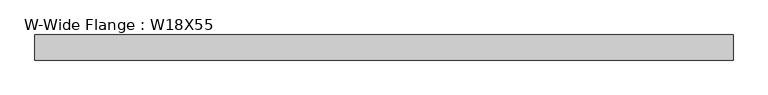
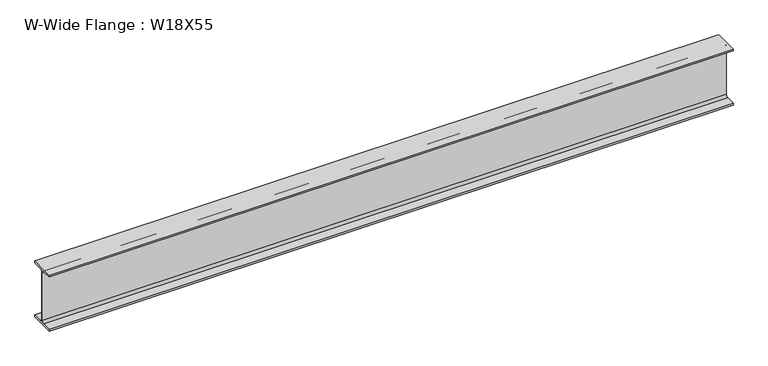
"""IFC4 building model written with IfcOpenShell, lengths in millimetres: beam geometry, W-Wide Flange : W18X55."""

from ifc_helpers import new_model, si_unit, point, frame, frame_2d, origin, place, context, project, spatial, polyline, circle_curve, trimmed, segment, composite_curve, outline, extrude, source, transform, mapped, element, save


def w_wide_flange_w18x55_e4465ad7(model_context):
    return source(origin(), model_context, "Body", "SweptSolid", [
        extrude(outline(composite_curve([segment(polyline([(95.631, -213.868), (95.631, -229.87), (-95.631, -229.87), (-95.631, -213.868), (-22.2885, -213.868)]), True, "CONTINUOUS"), segment(trimmed(circle_curve(frame_2d((-22.2885, -196.5325)), 17.3355), [point((-22.2885, -213.868))], [point((-4.953, -196.5325))], True, "CARTESIAN"), True, "CONTINUOUS"), segment(polyline([(-4.953, -196.5325), (-4.953, 196.5325)]), True, "CONTINUOUS"), segment(trimmed(circle_curve(frame_2d((-22.2885, 196.5325)), 17.3355), [point((-4.953, 196.5325))], [point((-22.2885, 213.868))], True, "CARTESIAN"), True, "CONTINUOUS"), segment(polyline([(-22.2885, 213.868), (-95.631, 213.868), (-95.631, 229.87), (95.631, 229.87), (95.631, 213.868), (22.2885, 213.868)]), True, "CONTINUOUS"), segment(trimmed(circle_curve(frame_2d((22.2885, 196.5325)), 17.3355), [point((22.2885, 213.868))], [point((4.953, 196.5325))], True, "CARTESIAN"), True, "CONTINUOUS"), segment(polyline([(4.953, 196.5325), (4.953, -196.5325)]), True, "CONTINUOUS"), segment(trimmed(circle_curve(frame_2d((22.2885, -196.5325)), 17.3355), [point((4.953, -196.5325))], [point((22.2885, -213.868))], True, "CARTESIAN"), True, "CONTINUOUS"), segment(polyline([(22.2885, -213.868), (95.631, -213.868)]), True, "CONTINUOUS")], self_intersect=False)), frame((-2616.2, 0.0, 0.0), z_axis=(1.0, 0.0, 0.0), x_axis=(0.0, 1.0, 0.0)), (0.0, 0.0, 1.0), 5310.1227359),
    ])


if __name__ == "__main__":
    model = new_model("IFC4")
    model_context = context("Model", 3, world=origin())
    ifc_project = project(units=[si_unit("LENGTHUNIT", "METRE", prefix="MILLI")], contexts=[model_context])
    site = spatial("IfcSite", under=ifc_project)
    building = spatial("IfcBuilding", under=site)
    placement = place(None, origin())
    w_wide_flange_w18x55_shape = w_wide_flange_w18x55_e4465ad7(model_context)
    element("IfcBeam", 1, ObjectType="W-Wide Flange : W18X55", at=placement, inside=building, context=model_context, shape_type="MappedRepresentation", body=[
        mapped(w_wide_flange_w18x55_shape, transform((0.0, 0.0, 0.0), x_axis=(1.0, 0.0, 0.0), y_axis=(0.0, 1.0, 0.0), z_axis=(0.0, 0.0, 1.0))),
    ])
    save(model, "model.ifc")
